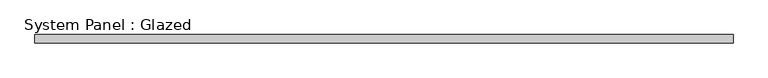
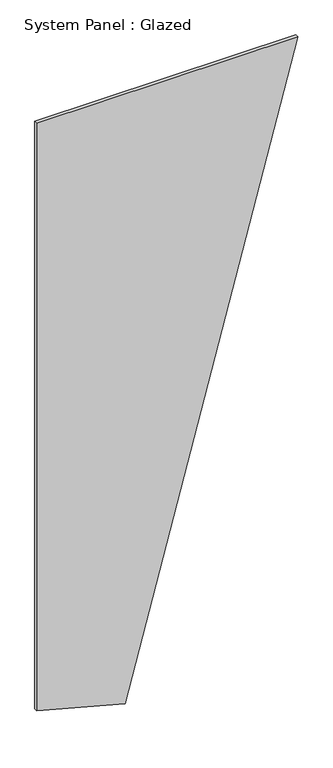
"""IFC4 building model written with IfcOpenShell, lengths in millimetres: plate geometry, System Panel : Glazed."""

from ifc_helpers import new_model, si_unit, frame, origin, place, context, project, spatial, polyline, outline, extrude, source, transform, mapped, element, save


def system_panel_glazed_965d2a08(model_context):
    return source(origin(), model_context, "Body", "SweptSolid", [
        extrude(outline(polyline([(191.9561863, -1056.109675), (0.0, -339.7194348), (5209.3051564, 1056.109675), (5209.3051564, -1056.109675), (191.9561863, -1056.109675)])), frame((0.0, -22.5, 0.0), z_axis=(0.0, 1.0, 0.0), x_axis=(0.0, 0.0, 1.0)), (0.0, 0.0, 1.0), 25.0),
    ])


if __name__ == "__main__":
    model = new_model("IFC4")
    model_context = context("Model", 3, world=origin())
    ifc_project = project(units=[si_unit("LENGTHUNIT", "METRE", prefix="MILLI")], contexts=[model_context])
    site = spatial("IfcSite", under=ifc_project)
    building = spatial("IfcBuilding", under=site)
    placement = place(None, origin())
    system_panel_glazed_shape = system_panel_glazed_965d2a08(model_context)
    element("IfcPlate", 1, ObjectType="System Panel : Glazed", at=placement, inside=building, context=model_context, shape_type="MappedRepresentation", body=[
        mapped(system_panel_glazed_shape, transform((0.0, 0.0, 0.0), x_axis=(1.0, 0.0, 0.0), y_axis=(0.0, 1.0, 0.0), z_axis=(0.0, 0.0, 1.0))),
    ])
    save(model, "model.ifc")
